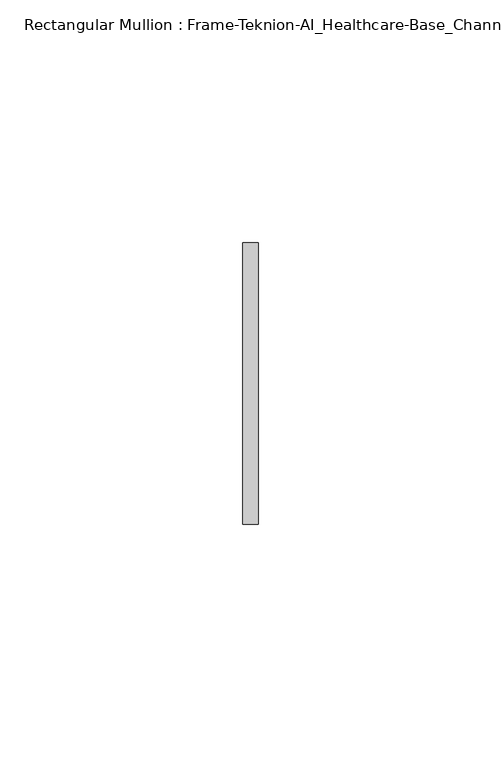
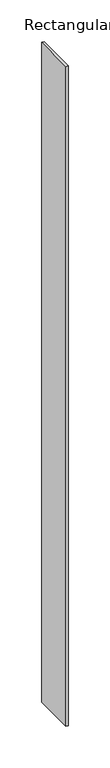
"""IFC4 building model written with IfcOpenShell, lengths in millimetres: member geometry, Rectangular Mullion : Frame-Teknion-AI_Healthcare-Base_Channel."""

from ifc_helpers import new_model, si_unit, frame, origin, place, context, project, spatial, polyline, outline, extrude, source, transform, mapped, element, save


def rectangular_mullion_frame_teknion_ai_healthcare_base_channel_06d1c8bd(model_context):
    return source(origin(), model_context, "Body", "SweptSolid", [
        extrude(outline(polyline([(0.0, 29.0214844), (0.0, -29.0214844), (-3.175, -29.0214844), (-3.175, 29.0214844), (0.0, 29.0214844)])), frame((0.0, 0.0, -965.2), z_axis=(0.0, 0.0, 1.0), x_axis=(1.0, 0.0, 0.0)), (0.0, 0.0, 1.0), 965.2),
    ])


if __name__ == "__main__":
    model = new_model("IFC4")
    model_context = context("Model", 3, world=origin())
    ifc_project = project(units=[si_unit("LENGTHUNIT", "METRE", prefix="MILLI")], contexts=[model_context])
    site = spatial("IfcSite", under=ifc_project)
    building = spatial("IfcBuilding", under=site)
    placement = place(None, origin())
    rectangular_mullion_frame_teknion_ai_healthcare_base_channel_shape = rectangular_mullion_frame_teknion_ai_healthcare_base_channel_06d1c8bd(model_context)
    element("IfcMember", 1, ObjectType="Rectangular Mullion : Frame-Teknion-AI_Healthcare-Base_Channel", at=placement, inside=building, context=model_context, shape_type="MappedRepresentation", body=[
        mapped(rectangular_mullion_frame_teknion_ai_healthcare_base_channel_shape, transform((0.0, 0.0, 0.0), x_axis=(1.0, 0.0, 0.0), y_axis=(0.0, 1.0, 0.0), z_axis=(0.0, 0.0, 1.0))),
    ])
    save(model, "model.ifc")
